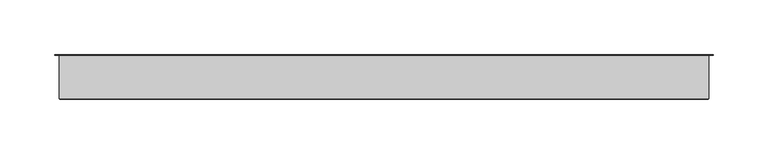
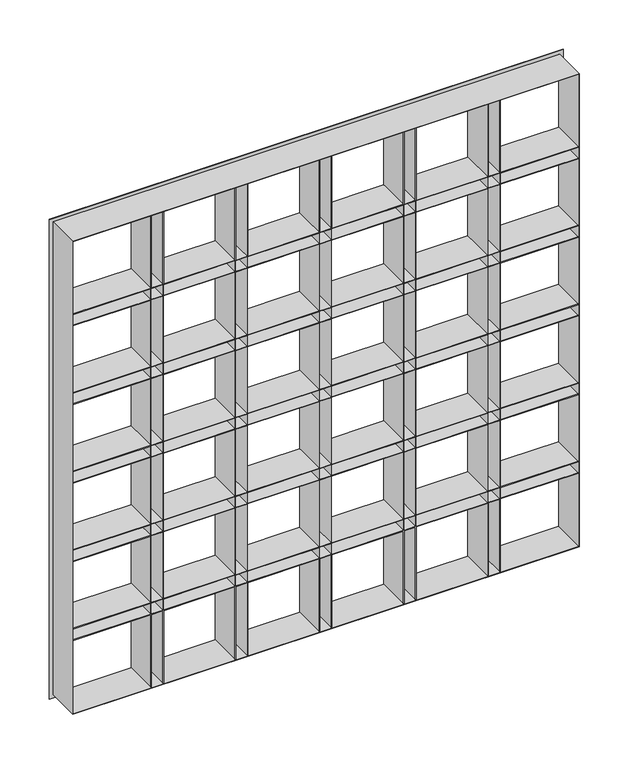
"""IFC4 building model written with IfcOpenShell, lengths in millimetres: plate geometry."""

from ifc_helpers import new_model, si_unit, origin, place, context, project, spatial, faceted_brep, source, transform, mapped, element, save


def plate_0c74617c(model_context):
    return source(origin(), model_context, "Body", "Brep", [
        faceted_brep([(-302.2500002, 0.0, -6.0), (-302.2500002, 0.0, 591.0), (302.2500002, 0.0, 591.0), (302.2500002, 0.0, -6.0), (-297.2500002, 0.0, 586.0), (-297.2500002, 0.0, 495.6666667), (-205.6666668, 0.0, 495.6666667), (-205.6666668, 0.0, 586.0), (297.2500002, 0.0, 495.6666667), (297.2500002, 0.0, 586.0), (205.6666668, 0.0, 586.0), (205.6666668, 0.0, 495.6666667), (190.6666668, 0.0, 495.6666667), (190.6666668, 0.0, 586.0), (106.5833334, 0.0, 586.0), (106.5833334, 0.0, 495.6666667), (297.2500002, 0.0, 480.6666667), (205.6666668, 0.0, 480.6666667), (205.6666668, 0.0, 397.8333333), (297.2500002, 0.0, 397.8333333), (205.6666668, 0.0, -1.0), (297.2500002, 0.0, -1.0), (297.2500002, 0.0, 89.3333333), (205.6666668, 0.0, 89.3333333), (297.2500002, 0.0, 382.8333333), (205.6666668, 0.0, 382.8333333), (205.6666668, 0.0, 300.0), (297.2500002, 0.0, 300.0), (-297.2500002, 0.0, 480.6666667), (-297.2500002, 0.0, 397.8333333), (-205.6666668, 0.0, 397.8333333), (-205.6666668, 0.0, 480.6666667), (190.6666668, 0.0, 397.8333333), (190.6666668, 0.0, 480.6666667), (106.5833334, 0.0, 480.6666667), (106.5833334, 0.0, 397.8333333), (297.2500002, 0.0, 285.0), (205.6666668, 0.0, 285.0), (205.6666668, 0.0, 202.1666667), (297.2500002, 0.0, 202.1666667), (-297.2500002, 0.0, 382.8333333), (-297.2500002, 0.0, 300.0), (-205.6666668, 0.0, 300.0), (-205.6666668, 0.0, 382.8333333), (190.6666668, 0.0, 300.0), (190.6666668, 0.0, 382.8333333), (106.5833334, 0.0, 382.8333333), (106.5833334, 0.0, 300.0), (297.2500002, 0.0, 187.1666667), (205.6666668, 0.0, 187.1666667), (205.6666668, 0.0, 104.3333333), (297.2500002, 0.0, 104.3333333), (-297.2500002, 0.0, 285.0), (-297.2500002, 0.0, 202.1666667), (-205.6666668, 0.0, 202.1666667), (-205.6666668, 0.0, 285.0), (190.6666668, 0.0, 202.1666667), (190.6666668, 0.0, 285.0), (106.5833334, 0.0, 285.0), (106.5833334, 0.0, 202.1666667), (-297.2500002, 0.0, 187.1666667), (-297.2500002, 0.0, 104.3333333), (-205.6666668, 0.0, 104.3333333), (-205.6666668, 0.0, 187.1666667), (-297.2500002, 0.0, 89.3333333), (-297.2500002, 0.0, -1.0), (-205.6666668, 0.0, -1.0), (-205.6666668, 0.0, 89.3333333), (190.6666668, 0.0, 104.3333333), (190.6666668, 0.0, 187.1666667), (106.5833334, 0.0, 187.1666667), (106.5833334, 0.0, 104.3333333), (190.6666668, 0.0, -1.0), (190.6666668, 0.0, 89.3333333), (106.5833334, 0.0, 89.3333333), (106.5833334, 0.0, -1.0), (91.5833334, 0.0, 495.6666667), (91.5833334, 0.0, 586.0), (7.5, 0.0, 586.0), (7.5, 0.0, 495.6666667), (91.5833334, 0.0, 397.8333333), (91.5833334, 0.0, 480.6666667), (7.5, 0.0, 480.6666667), (7.5, 0.0, 397.8333333), (91.5833334, 0.0, 300.0), (91.5833334, 0.0, 382.8333333), (7.5, 0.0, 382.8333333), (7.5, 0.0, 300.0), (91.5833334, 0.0, 202.1666667), (91.5833334, 0.0, 285.0), (7.5, 0.0, 285.0), (7.5, 0.0, 202.1666667), (91.5833334, 0.0, 104.3333333), (91.5833334, 0.0, 187.1666667), (7.5, 0.0, 187.1666667), (7.5, 0.0, 104.3333333), (91.5833334, 0.0, -1.0), (91.5833334, 0.0, 89.3333333), (7.5, 0.0, 89.3333333), (7.5, 0.0, -1.0), (-7.5, 0.0, 495.6666667), (-7.5, 0.0, 586.0), (-91.5833334, 0.0, 586.0), (-91.5833334, 0.0, 495.6666667), (-7.5, 0.0, 397.8333333), (-7.5, 0.0, 480.6666667), (-91.5833334, 0.0, 480.6666667), (-91.5833334, 0.0, 397.8333333), (-7.5, 0.0, 300.0), (-7.5, 0.0, 382.8333333), (-91.5833334, 0.0, 382.8333333), (-91.5833334, 0.0, 300.0), (-7.5, 0.0, 202.1666667), (-7.5, 0.0, 285.0), (-91.5833334, 0.0, 285.0), (-91.5833334, 0.0, 202.1666667), (-7.5, 0.0, 104.3333333), (-7.5, 0.0, 187.1666667), (-91.5833334, 0.0, 187.1666667), (-91.5833334, 0.0, 104.3333333), (-7.5, 0.0, -1.0), (-7.5, 0.0, 89.3333333), (-91.5833334, 0.0, 89.3333333), (-91.5833334, 0.0, -1.0), (-190.6666668, 0.0, 104.3333333), (-106.5833334, 0.0, 104.3333333), (-106.5833334, 0.0, 187.1666667), (-190.6666668, 0.0, 187.1666667), (-190.6666668, 0.0, 202.1666667), (-106.5833334, 0.0, 202.1666667), (-106.5833334, 0.0, 285.0), (-190.6666668, 0.0, 285.0), (-190.6666668, 0.0, 300.0), (-106.5833334, 0.0, 300.0), (-106.5833334, 0.0, 382.8333333), (-190.6666668, 0.0, 382.8333333), (-190.6666668, 0.0, 397.8333333), (-106.5833334, 0.0, 397.8333333), (-106.5833334, 0.0, 480.6666667), (-190.6666668, 0.0, 480.6666667), (-190.6666668, 0.0, 495.6666667), (-106.5833334, 0.0, 495.6666667), (-106.5833334, 0.0, 586.0), (-190.6666668, 0.0, 586.0), (-190.6666668, 0.0, -1.0), (-106.5833334, 0.0, -1.0), (-106.5833334, 0.0, 89.3333333), (-190.6666668, 0.0, 89.3333333), (-297.2500002, -40.0, 495.6666667), (-205.6666668, -40.0, 495.6666667), (297.2500002, -40.0, 495.6666667), (205.6666668, -40.0, 495.6666667), (191.4666668, -40.0, 495.6666667), (204.8666668, -40.0, 495.6666667), (204.8666668, -0.8, 495.6666667), (191.4666668, -0.8, 495.6666667), (190.6666668, -40.0, 495.6666667), (106.5833334, -40.0, 495.6666667), (92.3833334, -40.0, 495.6666667), (105.7833334, -40.0, 495.6666667), (105.7833334, -0.8, 495.6666667), (92.3833334, -0.8, 495.6666667), (91.5833334, -40.0, 495.6666667), (7.5, -40.0, 495.6666667), (-6.7, -40.0, 495.6666667), (6.7, -40.0, 495.6666667), (6.7, -0.8, 495.6666667), (-6.7, -0.8, 495.6666667), (-7.5, -40.0, 495.6666667), (-91.5833334, -40.0, 495.6666667), (-204.8666668, -40.0, 495.6666667), (-191.4666668, -40.0, 495.6666667), (-191.4666668, -0.8, 495.6666667), (-204.8666668, -0.8, 495.6666667), (-190.6666668, -40.0, 495.6666667), (-106.5833334, -40.0, 495.6666667), (-105.7833334, -40.0, 495.6666667), (-92.3833334, -40.0, 495.6666667), (-92.3833334, -0.8, 495.6666667), (-105.7833334, -0.8, 495.6666667), (-297.2500002, -40.0, 494.8666667), (-205.6666668, -40.0, 494.8666667), (-205.6666668, -40.0, 481.4666667), (-297.2500002, -40.0, 481.4666667), (-297.2500002, -40.0, 480.6666667), (-205.6666668, -40.0, 480.6666667), (-205.6666668, -40.0, 397.8333333), (-297.2500002, -40.0, 397.8333333), (-297.2500002, -40.0, 397.0333333), (-205.6666668, -40.0, 397.0333333), (-205.6666668, -40.0, 383.6333333), (-297.2500002, -40.0, 383.6333333), (-297.2500002, -40.0, 382.8333333), (-205.6666668, -40.0, 382.8333333), (-205.6666668, -40.0, 300.0), (-297.2500002, -40.0, 300.0), (-297.2500002, -40.0, 299.2), (-205.6666668, -40.0, 299.2), (-205.6666668, -40.0, 285.8), (-297.2500002, -40.0, 285.8), (-297.2500002, -40.0, 285.0), (-205.6666668, -40.0, 285.0), (-205.6666668, -40.0, 202.1666667), (-297.2500002, -40.0, 202.1666667), (-297.2500002, -40.0, 201.3666667), (-205.6666668, -40.0, 201.3666667), (-205.6666668, -40.0, 187.9666667), (-297.2500002, -40.0, 187.9666667), (-297.2500002, -40.0, 187.1666667), (-205.6666668, -40.0, 187.1666667), (-205.6666668, -40.0, 104.3333333), (-297.2500002, -40.0, 104.3333333), (-297.2500002, -40.0, 103.5333333), (-205.6666668, -40.0, 103.5333333), (-205.6666668, -40.0, 90.1333333), (-297.2500002, -40.0, 90.1333333), (-297.2500002, -40.0, 89.3333333), (-205.6666668, -40.0, 89.3333333), (-205.6666668, -40.0, -1.0), (-204.8666668, -40.0, -1.0), (-204.8666668, -40.0, 89.3333333), (-191.4666668, -40.0, 89.3333333), (-191.4666668, -40.0, -1.0), (-190.6666668, -40.0, -1.0), (-190.6666668, -40.0, 89.3333333), (-106.5833334, -40.0, 89.3333333), (-106.5833334, -40.0, -1.0), (-105.7833334, -40.0, -1.0), (-105.7833334, -40.0, 89.3333333), (-92.3833334, -40.0, 89.3333333), (-92.3833334, -40.0, -1.0), (-91.5833334, -40.0, -1.0), (-91.5833334, -40.0, 89.3333333), (-7.5, -40.0, 89.3333333), (-7.5, -40.0, -1.0), (-6.7, -40.0, -1.0), (-6.7, -40.0, 89.3333333), (6.7, -40.0, 89.3333333), (6.7, -40.0, -1.0), (7.5, -40.0, -1.0), (7.5, -40.0, 89.3333333), (91.5833334, -40.0, 89.3333333), (91.5833334, -40.0, -1.0), (92.3833334, -40.0, -1.0), (92.3833334, -40.0, 89.3333333), (105.7833334, -40.0, 89.3333333), (105.7833334, -40.0, -1.0), (106.5833334, -40.0, -1.0), (106.5833334, -40.0, 89.3333333), (190.6666668, -40.0, 89.3333333), (190.6666668, -40.0, -1.0), (191.4666668, -40.0, -1.0), (191.4666668, -40.0, 89.3333333), (204.8666668, -40.0, 89.3333333), (204.8666668, -40.0, -1.0), (205.6666668, -40.0, -1.0), (205.6666668, -40.0, 89.3333333), (297.2500002, -40.0, 89.3333333), (297.2500002, -40.0, 90.1333333), (205.6666668, -40.0, 90.1333333), (205.6666668, -40.0, 103.5333333), (297.2500002, -40.0, 103.5333333), (297.2500002, -40.0, 104.3333333), (205.6666668, -40.0, 104.3333333), (205.6666668, -40.0, 187.1666667), (297.2500002, -40.0, 187.1666667), (297.2500002, -40.0, 187.9666667), (205.6666668, -40.0, 187.9666667), (205.6666668, -40.0, 201.3666667), (297.2500002, -40.0, 201.3666667), (297.2500002, -40.0, 202.1666667), (205.6666668, -40.0, 202.1666667), (205.6666668, -40.0, 285.0), (297.2500002, -40.0, 285.0), (297.2500002, -40.0, 285.8), (205.6666668, -40.0, 285.8), (205.6666668, -40.0, 299.2), (297.2500002, -40.0, 299.2), (297.2500002, -40.0, 300.0), (205.6666668, -40.0, 300.0), (205.6666668, -40.0, 382.8333333), (297.2500002, -40.0, 382.8333333), (297.2500002, -40.0, 383.6333333), (205.6666668, -40.0, 383.6333333), (205.6666668, -40.0, 397.0333333), (297.2500002, -40.0, 397.0333333), (297.2500002, -40.0, 397.8333333), (205.6666668, -40.0, 397.8333333), (205.6666668, -40.0, 480.6666667), (297.2500002, -40.0, 480.6666667), (297.2500002, -40.0, 481.4666667), (205.6666668, -40.0, 481.4666667), (205.6666668, -40.0, 494.8666667), (297.2500002, -40.0, 494.8666667), (205.6666668, -40.0, 586.0), (204.8666668, -40.0, 586.0), (191.4666668, -40.0, 586.0), (190.6666668, -40.0, 586.0), (106.5833334, -40.0, 586.0), (105.7833334, -40.0, 586.0), (92.3833334, -40.0, 586.0), (91.5833334, -40.0, 586.0), (7.5, -40.0, 586.0), (6.7, -40.0, 586.0), (-6.7, -40.0, 586.0), (-7.5, -40.0, 586.0), (-91.5833334, -40.0, 586.0), (-92.3833334, -40.0, 586.0), (-105.7833334, -40.0, 586.0), (-106.5833334, -40.0, 586.0), (-190.6666668, -40.0, 586.0), (-191.4666668, -40.0, 586.0), (-204.8666668, -40.0, 586.0), (-205.6666668, -40.0, 586.0), (191.4666668, -40.0, 494.8666667), (204.8666668, -40.0, 494.8666667), (204.8666668, -40.0, 481.4666667), (191.4666668, -40.0, 481.4666667), (190.6666668, -40.0, 494.8666667), (190.6666668, -40.0, 481.4666667), (106.5833334, -40.0, 481.4666667), (106.5833334, -40.0, 494.8666667), (191.4666668, -40.0, 480.6666667), (204.8666668, -40.0, 480.6666667), (204.8666668, -40.0, 397.8333333), (191.4666668, -40.0, 397.8333333), (204.8666668, -40.0, 397.0333333), (204.8666668, -40.0, 383.6333333), (191.4666668, -40.0, 383.6333333), (191.4666668, -40.0, 397.0333333), (190.6666668, -40.0, 480.6666667), (190.6666668, -40.0, 397.8333333), (106.5833334, -40.0, 397.8333333), (106.5833334, -40.0, 480.6666667), (190.6666668, -40.0, 397.0333333), (190.6666668, -40.0, 383.6333333), (106.5833334, -40.0, 383.6333333), (106.5833334, -40.0, 397.0333333), (191.4666668, -40.0, 382.8333333), (204.8666668, -40.0, 382.8333333), (204.8666668, -40.0, 300.0), (191.4666668, -40.0, 300.0), (190.6666668, -40.0, 382.8333333), (190.6666668, -40.0, 300.0), (106.5833334, -40.0, 300.0), (106.5833334, -40.0, 382.8333333), (190.6666668, -40.0, 299.2), (190.6666668, -40.0, 285.8), (106.5833334, -40.0, 285.8), (106.5833334, -40.0, 299.2), (204.8666668, -40.0, 299.2), (204.8666668, -40.0, 285.8), (191.4666668, -40.0, 285.8), (191.4666668, -40.0, 299.2), (191.4666668, -40.0, 285.0), (204.8666668, -40.0, 285.0), (204.8666668, -40.0, 202.1666667), (191.4666668, -40.0, 202.1666667), (190.6666668, -40.0, 285.0), (190.6666668, -40.0, 202.1666667), (106.5833334, -40.0, 202.1666667), (106.5833334, -40.0, 285.0), (190.6666668, -40.0, 201.3666667), (190.6666668, -40.0, 187.9666667), (106.5833334, -40.0, 187.9666667), (106.5833334, -40.0, 201.3666667), (204.8666668, -40.0, 201.3666667), (204.8666668, -40.0, 187.9666667), (191.4666668, -40.0, 187.9666667), (191.4666668, -40.0, 201.3666667), (191.4666668, -40.0, 187.1666667), (204.8666668, -40.0, 187.1666667), (204.8666668, -40.0, 104.3333333), (191.4666668, -40.0, 104.3333333), (190.6666668, -40.0, 187.1666667), (190.6666668, -40.0, 104.3333333), (106.5833334, -40.0, 104.3333333), (106.5833334, -40.0, 187.1666667), (190.6666668, -40.0, 103.5333333), (190.6666668, -40.0, 90.1333333), (106.5833334, -40.0, 90.1333333), (106.5833334, -40.0, 103.5333333), (204.8666668, -40.0, 103.5333333), (204.8666668, -40.0, 90.1333333), (191.4666668, -40.0, 90.1333333), (191.4666668, -40.0, 103.5333333), (92.3833334, -40.0, 494.8666667), (105.7833334, -40.0, 494.8666667), (105.7833334, -40.0, 481.4666667), (92.3833334, -40.0, 481.4666667), (92.3833334, -40.0, 480.6666667), (105.7833334, -40.0, 480.6666667), (105.7833334, -40.0, 397.8333333), (92.3833334, -40.0, 397.8333333), (92.3833334, -40.0, 397.0333333), (105.7833334, -40.0, 397.0333333), (105.7833334, -40.0, 383.6333333), (92.3833334, -40.0, 383.6333333), (92.3833334, -40.0, 382.8333333), (105.7833334, -40.0, 382.8333333), (105.7833334, -40.0, 300.0), (92.3833334, -40.0, 300.0), (92.3833334, -40.0, 299.2), (105.7833334, -40.0, 299.2), (105.7833334, -40.0, 285.8), (92.3833334, -40.0, 285.8), (92.3833334, -40.0, 285.0), (105.7833334, -40.0, 285.0), (105.7833334, -40.0, 202.1666667), (92.3833334, -40.0, 202.1666667), (92.3833334, -40.0, 201.3666667), (105.7833334, -40.0, 201.3666667), (105.7833334, -40.0, 187.9666667), (92.3833334, -40.0, 187.9666667), (92.3833334, -40.0, 187.1666667), (105.7833334, -40.0, 187.1666667), (105.7833334, -40.0, 104.3333333), (92.3833334, -40.0, 104.3333333), (92.3833334, -40.0, 103.5333333), (105.7833334, -40.0, 103.5333333), (105.7833334, -40.0, 90.1333333), (92.3833334, -40.0, 90.1333333), (91.5833334, -40.0, 494.8666667), (91.5833334, -40.0, 481.4666667), (7.5, -40.0, 481.4666667), (7.5, -40.0, 494.8666667), (91.5833334, -40.0, 480.6666667), (91.5833334, -40.0, 397.8333333), (7.5, -40.0, 397.8333333), (7.5, -40.0, 480.6666667), (91.5833334, -40.0, 397.0333333), (91.5833334, -40.0, 383.6333333), (7.5, -40.0, 383.6333333), (7.5, -40.0, 397.0333333), (91.5833334, -40.0, 382.8333333), (91.5833334, -40.0, 300.0), (7.5, -40.0, 300.0), (7.5, -40.0, 382.8333333), (91.5833334, -40.0, 299.2), (91.5833334, -40.0, 285.8), (7.5, -40.0, 285.8), (7.5, -40.0, 299.2), (91.5833334, -40.0, 285.0), (91.5833334, -40.0, 202.1666667), (7.5, -40.0, 202.1666667), (7.5, -40.0, 285.0), (91.5833334, -40.0, 201.3666667), (91.5833334, -40.0, 187.9666667), (7.5, -40.0, 187.9666667), (7.5, -40.0, 201.3666667), (91.5833334, -40.0, 187.1666667), (91.5833334, -40.0, 104.3333333), (7.5, -40.0, 104.3333333), (7.5, -40.0, 187.1666667), (91.5833334, -40.0, 103.5333333), (91.5833334, -40.0, 90.1333333), (7.5, -40.0, 90.1333333), (7.5, -40.0, 103.5333333), (-6.7, -40.0, 494.8666667), (6.7, -40.0, 494.8666667), (6.7, -40.0, 481.4666667), (-6.7, -40.0, 481.4666667), (-6.7, -40.0, 480.6666667), (6.7, -40.0, 480.6666667), (6.7, -40.0, 397.8333333), (-6.7, -40.0, 397.8333333), (-6.7, -40.0, 397.0333333), (6.7, -40.0, 397.0333333), (6.7, -40.0, 383.6333333), (-6.7, -40.0, 383.6333333), (-6.7, -40.0, 382.8333333), (6.7, -40.0, 382.8333333), (6.7, -40.0, 300.0), (-6.7, -40.0, 300.0), (-6.7, -40.0, 299.2), (6.7, -40.0, 299.2), (6.7, -40.0, 285.8), (-6.7, -40.0, 285.8), (-6.7, -40.0, 285.0), (6.7, -40.0, 285.0), (6.7, -40.0, 202.1666667), (-6.7, -40.0, 202.1666667), (-6.7, -40.0, 201.3666667), (6.7, -40.0, 201.3666667), (6.7, -40.0, 187.9666667), (-6.7, -40.0, 187.9666667), (-6.7, -40.0, 187.1666667), (6.7, -40.0, 187.1666667), (6.7, -40.0, 104.3333333), (-6.7, -40.0, 104.3333333), (-6.7, -40.0, 103.5333333), (6.7, -40.0, 103.5333333), (6.7, -40.0, 90.1333333), (-6.7, -40.0, 90.1333333), (-7.5, -40.0, 494.8666667), (-7.5, -40.0, 481.4666667), (-91.5833334, -40.0, 481.4666667), (-91.5833334, -40.0, 494.8666667), (-7.5, -40.0, 480.6666667), (-7.5, -40.0, 397.8333333), (-91.5833334, -40.0, 397.8333333), (-91.5833334, -40.0, 480.6666667), (-7.5, -40.0, 397.0333333), (-7.5, -40.0, 383.6333333), (-91.5833334, -40.0, 383.6333333), (-91.5833334, -40.0, 397.0333333), (-7.5, -40.0, 382.8333333), (-7.5, -40.0, 300.0), (-91.5833334, -40.0, 300.0), (-91.5833334, -40.0, 382.8333333), (-7.5, -40.0, 299.2), (-7.5, -40.0, 285.8), (-91.5833334, -40.0, 285.8), (-91.5833334, -40.0, 299.2), (-7.5, -40.0, 285.0), (-7.5, -40.0, 202.1666667), (-91.5833334, -40.0, 202.1666667), (-91.5833334, -40.0, 285.0), (-7.5, -40.0, 201.3666667), (-7.5, -40.0, 187.9666667), (-91.5833334, -40.0, 187.9666667), (-91.5833334, -40.0, 201.3666667), (-7.5, -40.0, 187.1666667), (-7.5, -40.0, 104.3333333), (-91.5833334, -40.0, 104.3333333), (-91.5833334, -40.0, 187.1666667), (-7.5, -40.0, 103.5333333), (-7.5, -40.0, 90.1333333), (-91.5833334, -40.0, 90.1333333), (-91.5833334, -40.0, 103.5333333), (-204.8666668, -40.0, 494.8666667), (-191.4666668, -40.0, 494.8666667), (-191.4666668, -40.0, 481.4666667), (-204.8666668, -40.0, 481.4666667), (-204.8666668, -40.0, 480.6666667), (-191.4666668, -40.0, 480.6666667), (-191.4666668, -40.0, 397.8333333), (-204.8666668, -40.0, 397.8333333), (-204.8666668, -40.0, 397.0333333), (-191.4666668, -40.0, 397.0333333), (-191.4666668, -40.0, 383.6333333), (-204.8666668, -40.0, 383.6333333), (-204.8666668, -40.0, 382.8333333), (-191.4666668, -40.0, 382.8333333), (-191.4666668, -40.0, 300.0), (-204.8666668, -40.0, 300.0), (-204.8666668, -40.0, 299.2), (-191.4666668, -40.0, 299.2), (-191.4666668, -40.0, 285.8), (-204.8666668, -40.0, 285.8), (-204.8666668, -40.0, 285.0), (-191.4666668, -40.0, 285.0), (-191.4666668, -40.0, 202.1666667), (-204.8666668, -40.0, 202.1666667), (-204.8666668, -40.0, 201.3666667), (-191.4666668, -40.0, 201.3666667), (-191.4666668, -40.0, 187.9666667), (-204.8666668, -40.0, 187.9666667), (-204.8666668, -40.0, 187.1666667), (-191.4666668, -40.0, 187.1666667), (-191.4666668, -40.0, 104.3333333), (-204.8666668, -40.0, 104.3333333), (-204.8666668, -40.0, 103.5333333), (-191.4666668, -40.0, 103.5333333), (-191.4666668, -40.0, 90.1333333), (-204.8666668, -40.0, 90.1333333), (-190.6666668, -40.0, 494.8666667), (-106.5833334, -40.0, 494.8666667), (-106.5833334, -40.0, 481.4666667), (-190.6666668, -40.0, 481.4666667), (-105.7833334, -40.0, 494.8666667), (-92.3833334, -40.0, 494.8666667), (-92.3833334, -40.0, 481.4666667), (-105.7833334, -40.0, 481.4666667), (-190.6666668, -40.0, 480.6666667), (-106.5833334, -40.0, 480.6666667), (-106.5833334, -40.0, 397.8333333), (-190.6666668, -40.0, 397.8333333), (-105.7833334, -40.0, 480.6666667), (-92.3833334, -40.0, 480.6666667), (-92.3833334, -40.0, 397.8333333), (-105.7833334, -40.0, 397.8333333), (-190.6666668, -40.0, 397.0333333), (-106.5833334, -40.0, 397.0333333), (-106.5833334, -40.0, 383.6333333), (-190.6666668, -40.0, 383.6333333), (-105.7833334, -40.0, 397.0333333), (-92.3833334, -40.0, 397.0333333), (-92.3833334, -40.0, 383.6333333), (-105.7833334, -40.0, 383.6333333), (-190.6666668, -40.0, 382.8333333), (-106.5833334, -40.0, 382.8333333), (-106.5833334, -40.0, 300.0), (-190.6666668, -40.0, 300.0), (-105.7833334, -40.0, 382.8333333), (-92.3833334, -40.0, 382.8333333), (-92.3833334, -40.0, 300.0), (-105.7833334, -40.0, 300.0), (-190.6666668, -40.0, 299.2), (-106.5833334, -40.0, 299.2), (-106.5833334, -40.0, 285.8), (-190.6666668, -40.0, 285.8), (-105.7833334, -40.0, 299.2), (-92.3833334, -40.0, 299.2), (-92.3833334, -40.0, 285.8), (-105.7833334, -40.0, 285.8), (-190.6666668, -40.0, 285.0), (-106.5833334, -40.0, 285.0), (-106.5833334, -40.0, 202.1666667), (-190.6666668, -40.0, 202.1666667), (-105.7833334, -40.0, 285.0), (-92.3833334, -40.0, 285.0), (-92.3833334, -40.0, 202.1666667), (-105.7833334, -40.0, 202.1666667), (-190.6666668, -40.0, 201.3666667), (-106.5833334, -40.0, 201.3666667), (-106.5833334, -40.0, 187.9666667), (-190.6666668, -40.0, 187.9666667), (-105.7833334, -40.0, 201.3666667), (-92.3833334, -40.0, 201.3666667), (-92.3833334, -40.0, 187.9666667), (-105.7833334, -40.0, 187.9666667), (-190.6666668, -40.0, 187.1666667), (-106.5833334, -40.0, 187.1666667), (-106.5833334, -40.0, 104.3333333), (-190.6666668, -40.0, 104.3333333), (-105.7833334, -40.0, 187.1666667), (-92.3833334, -40.0, 187.1666667), (-92.3833334, -40.0, 104.3333333), (-105.7833334, -40.0, 104.3333333), (-190.6666668, -40.0, 103.5333333), (-106.5833334, -40.0, 103.5333333), (-106.5833334, -40.0, 90.1333333), (-190.6666668, -40.0, 90.1333333), (-105.7833334, -40.0, 103.5333333), (-92.3833334, -40.0, 103.5333333), (-92.3833334, -40.0, 90.1333333), (-105.7833334, -40.0, 90.1333333), (191.4666668, -0.8, 494.8666667), (204.8666668, -0.8, 494.8666667), (92.3833334, -0.8, 494.8666667), (105.7833334, -0.8, 494.8666667), (-6.7, -0.8, 494.8666667), (6.7, -0.8, 494.8666667), (-204.8666668, -0.8, 494.8666667), (-191.4666668, -0.8, 494.8666667), (-105.7833334, -0.8, 494.8666667), (-92.3833334, -0.8, 494.8666667), (-297.2500002, -0.8, 494.8666667), (-205.6666668, -0.8, 494.8666667), (297.2500002, -0.8, 494.8666667), (205.6666668, -0.8, 494.8666667), (190.6666668, -0.8, 494.8666667), (106.5833334, -0.8, 494.8666667), (91.5833334, -0.8, 494.8666667), (7.5, -0.8, 494.8666667), (-7.5, -0.8, 494.8666667), (-91.5833334, -0.8, 494.8666667), (-190.6666668, -0.8, 494.8666667), (-106.5833334, -0.8, 494.8666667), (191.4666668, -0.8, 481.4666667), (204.8666668, -0.8, 481.4666667), (92.3833334, -0.8, 481.4666667), (105.7833334, -0.8, 481.4666667), (-6.7, -0.8, 481.4666667), (6.7, -0.8, 481.4666667), (-204.8666668, -0.8, 481.4666667), (-191.4666668, -0.8, 481.4666667), (-105.7833334, -0.8, 481.4666667), (-92.3833334, -0.8, 481.4666667), (-297.2500002, -0.8, 481.4666667), (-205.6666668, -0.8, 481.4666667), (297.2500002, -0.8, 481.4666667), (205.6666668, -0.8, 481.4666667), (190.6666668, -0.8, 481.4666667), (106.5833334, -0.8, 481.4666667), (91.5833334, -0.8, 481.4666667), (7.5, -0.8, 481.4666667), (-7.5, -0.8, 481.4666667), (-91.5833334, -0.8, 481.4666667), (-190.6666668, -0.8, 481.4666667), (-106.5833334, -0.8, 481.4666667), (191.4666668, -0.8, 480.6666667), (204.8666668, -0.8, 480.6666667), (92.3833334, -0.8, 480.6666667), (105.7833334, -0.8, 480.6666667), (-6.7, -0.8, 480.6666667), (6.7, -0.8, 480.6666667), (-204.8666668, -0.8, 480.6666667), (-191.4666668, -0.8, 480.6666667), (-105.7833334, -0.8, 480.6666667), (-92.3833334, -0.8, 480.6666667), (-297.2500002, -40.8, -1.0), (-297.2500002, -0.8, 90.1333333), (-297.2500002, -0.8, 103.5333333), (-297.2500002, -0.8, 187.9666667), (-297.2500002, -0.8, 201.3666667), (-297.2500002, -0.8, 285.8), (-297.2500002, -0.8, 299.2), (-297.2500002, -0.8, 383.6333333), (-297.2500002, -0.8, 397.0333333), (-297.2500002, -40.8, 586.0), (-298.0500002, -0.8, -1.8), (-298.0500002, -40.8, -1.8), (-298.0500002, -40.8, 586.8), (-298.0500002, -0.8, 586.8), (-302.2500002, -0.8, -6.0), (-302.2500002, -0.8, 591.0), (-204.8666668, -0.8, 586.0), (-191.4666668, -0.8, 586.0), (-105.7833334, -0.8, 586.0), (-92.3833334, -0.8, 586.0), (-6.7, -0.8, 586.0), (6.7, -0.8, 586.0), (92.3833334, -0.8, 586.0), (105.7833334, -0.8, 586.0), (191.4666668, -0.8, 586.0), (204.8666668, -0.8, 586.0), (297.2500002, -40.8, 586.0), (298.0500002, -40.8, 586.8), (298.0500002, -0.8, 586.8), (302.2500002, -0.8, 591.0), (297.2500002, -0.8, 397.0333333), (297.2500002, -0.8, 383.6333333), (297.2500002, -0.8, 299.2), (297.2500002, -0.8, 285.8), (297.2500002, -0.8, 201.3666667), (297.2500002, -0.8, 187.9666667), (297.2500002, -0.8, 103.5333333), (297.2500002, -0.8, 90.1333333), (297.2500002, -40.8, -1.0), (298.0500002, -40.8, -1.8), (298.0500002, -0.8, -1.8), (302.2500002, -0.8, -6.0), (204.8666668, -0.8, -1.0), (191.4666668, -0.8, -1.0), (105.7833334, -0.8, -1.0), (92.3833334, -0.8, -1.0), (6.7, -0.8, -1.0), (-6.7, -0.8, -1.0), (-92.3833334, -0.8, -1.0), (-105.7833334, -0.8, -1.0), (-191.4666668, -0.8, -1.0), (-204.8666668, -0.8, -1.0), (190.6666668, -0.8, 397.0333333), (190.6666668, -0.8, 383.6333333), (190.6666668, -0.8, 299.2), (190.6666668, -0.8, 285.8), (190.6666668, -0.8, 201.3666667), (190.6666668, -0.8, 187.9666667), (190.6666668, -0.8, 103.5333333), (190.6666668, -0.8, 90.1333333), (191.4666668, -0.8, 383.6333333), (191.4666668, -0.8, 397.0333333), (191.4666668, -0.8, 285.8), (191.4666668, -0.8, 299.2), (191.4666668, -0.8, 187.9666667), (191.4666668, -0.8, 201.3666667), (191.4666668, -0.8, 90.1333333), (191.4666668, -0.8, 103.5333333), (191.4666668, -0.8, 397.8333333), (191.4666668, -0.8, 89.3333333), (191.4666668, -0.8, 382.8333333), (191.4666668, -0.8, 300.0), (191.4666668, -0.8, 285.0), (191.4666668, -0.8, 202.1666667), (191.4666668, -0.8, 187.1666667), (191.4666668, -0.8, 104.3333333), (204.8666668, -0.8, 397.8333333), (204.8666668, -0.8, 89.3333333), (204.8666668, -0.8, 383.6333333), (204.8666668, -0.8, 397.0333333), (204.8666668, -0.8, 285.8), (204.8666668, -0.8, 299.2), (204.8666668, -0.8, 187.9666667), (204.8666668, -0.8, 201.3666667), (204.8666668, -0.8, 90.1333333), (204.8666668, -0.8, 103.5333333), (204.8666668, -0.8, 382.8333333), (204.8666668, -0.8, 300.0), (204.8666668, -0.8, 285.0), (204.8666668, -0.8, 202.1666667), (204.8666668, -0.8, 187.1666667), (204.8666668, -0.8, 104.3333333), (205.6666668, -0.8, 90.1333333), (205.6666668, -0.8, 103.5333333), (205.6666668, -0.8, 187.9666667), (205.6666668, -0.8, 201.3666667), (205.6666668, -0.8, 285.8), (205.6666668, -0.8, 299.2), (205.6666668, -0.8, 383.6333333), (205.6666668, -0.8, 397.0333333), (105.7833334, -0.8, 397.8333333), (92.3833334, -0.8, 397.8333333), (6.7, -0.8, 397.8333333), (-6.7, -0.8, 397.8333333), (-191.4666668, -0.8, 397.8333333), (-204.8666668, -0.8, 397.8333333), (-92.3833334, -0.8, 397.8333333), (-105.7833334, -0.8, 397.8333333), (92.3833334, -0.8, 397.0333333), (105.7833334, -0.8, 397.0333333), (-6.7, -0.8, 397.0333333), (6.7, -0.8, 397.0333333), (-204.8666668, -0.8, 397.0333333), (-191.4666668, -0.8, 397.0333333), (-105.7833334, -0.8, 397.0333333), (-92.3833334, -0.8, 397.0333333), (-205.6666668, -0.8, 397.0333333), (106.5833334, -0.8, 397.0333333), (91.5833334, -0.8, 397.0333333), (7.5, -0.8, 397.0333333), (-7.5, -0.8, 397.0333333), (-91.5833334, -0.8, 397.0333333), (-190.6666668, -0.8, 397.0333333), (-106.5833334, -0.8, 397.0333333), (-205.6666668, -0.8, 383.6333333), (106.5833334, -0.8, 383.6333333), (92.3833334, -0.8, 383.6333333), (105.7833334, -0.8, 383.6333333), (-6.7, -0.8, 383.6333333), (6.7, -0.8, 383.6333333), (-204.8666668, -0.8, 383.6333333), (-191.4666668, -0.8, 383.6333333), (-105.7833334, -0.8, 383.6333333), (-92.3833334, -0.8, 383.6333333), (91.5833334, -0.8, 383.6333333), (7.5, -0.8, 383.6333333), (-7.5, -0.8, 383.6333333), (-91.5833334, -0.8, 383.6333333), (-190.6666668, -0.8, 383.6333333), (-106.5833334, -0.8, 383.6333333), (92.3833334, -0.8, 382.8333333), (105.7833334, -0.8, 382.8333333), (-6.7, -0.8, 382.8333333), (6.7, -0.8, 382.8333333), (-204.8666668, -0.8, 382.8333333), (-191.4666668, -0.8, 382.8333333), (-105.7833334, -0.8, 382.8333333), (-92.3833334, -0.8, 382.8333333), (105.7833334, -0.8, 300.0), (92.3833334, -0.8, 300.0), (6.7, -0.8, 300.0), (-6.7, -0.8, 300.0), (-191.4666668, -0.8, 300.0), (-204.8666668, -0.8, 300.0), (-92.3833334, -0.8, 300.0), (-105.7833334, -0.8, 300.0), (92.3833334, -0.8, 299.2), (105.7833334, -0.8, 299.2), (-6.7, -0.8, 299.2), (6.7, -0.8, 299.2), (-204.8666668, -0.8, 299.2), (-191.4666668, -0.8, 299.2), (-105.7833334, -0.8, 299.2), (-92.3833334, -0.8, 299.2), (-205.6666668, -0.8, 299.2), (106.5833334, -0.8, 299.2), (91.5833334, -0.8, 299.2), (7.5, -0.8, 299.2), (-7.5, -0.8, 299.2), (-91.5833334, -0.8, 299.2), (-190.6666668, -0.8, 299.2), (-106.5833334, -0.8, 299.2), (-205.6666668, -0.8, 285.8), (106.5833334, -0.8, 285.8), (92.3833334, -0.8, 285.8), (105.7833334, -0.8, 285.8), (-6.7, -0.8, 285.8), (6.7, -0.8, 285.8), (-204.8666668, -0.8, 285.8), (-191.4666668, -0.8, 285.8), (-105.7833334, -0.8, 285.8), (-92.3833334, -0.8, 285.8), (91.5833334, -0.8, 285.8), (7.5, -0.8, 285.8), (-7.5, -0.8, 285.8), (-91.5833334, -0.8, 285.8), (-190.6666668, -0.8, 285.8), (-106.5833334, -0.8, 285.8), (92.3833334, -0.8, 285.0), (105.7833334, -0.8, 285.0), (-6.7, -0.8, 285.0), (6.7, -0.8, 285.0), (-204.8666668, -0.8, 285.0), (-191.4666668, -0.8, 285.0), (-105.7833334, -0.8, 285.0), (-92.3833334, -0.8, 285.0), (105.7833334, -0.8, 202.1666667), (92.3833334, -0.8, 202.1666667), (6.7, -0.8, 202.1666667), (-6.7, -0.8, 202.1666667), (-191.4666668, -0.8, 202.1666667), (-204.8666668, -0.8, 202.1666667), (-92.3833334, -0.8, 202.1666667), (-105.7833334, -0.8, 202.1666667), (92.3833334, -0.8, 201.3666667), (105.7833334, -0.8, 201.3666667), (-6.7, -0.8, 201.3666667), (6.7, -0.8, 201.3666667), (-204.8666668, -0.8, 201.3666667), (-191.4666668, -0.8, 201.3666667), (-105.7833334, -0.8, 201.3666667), (-92.3833334, -0.8, 201.3666667), (-205.6666668, -0.8, 201.3666667), (106.5833334, -0.8, 201.3666667), (91.5833334, -0.8, 201.3666667), (7.5, -0.8, 201.3666667), (-7.5, -0.8, 201.3666667), (-91.5833334, -0.8, 201.3666667), (-190.6666668, -0.8, 201.3666667), (-106.5833334, -0.8, 201.3666667), (-205.6666668, -0.8, 187.9666667), (106.5833334, -0.8, 187.9666667), (92.3833334, -0.8, 187.9666667), (105.7833334, -0.8, 187.9666667), (-6.7, -0.8, 187.9666667), (6.7, -0.8, 187.9666667), (-204.8666668, -0.8, 187.9666667), (-191.4666668, -0.8, 187.9666667), (-105.7833334, -0.8, 187.9666667), (-92.3833334, -0.8, 187.9666667), (91.5833334, -0.8, 187.9666667), (7.5, -0.8, 187.9666667), (-7.5, -0.8, 187.9666667), (-91.5833334, -0.8, 187.9666667), (-190.6666668, -0.8, 187.9666667), (-106.5833334, -0.8, 187.9666667), (92.3833334, -0.8, 187.1666667), (105.7833334, -0.8, 187.1666667), (-6.7, -0.8, 187.1666667), (6.7, -0.8, 187.1666667), (-204.8666668, -0.8, 187.1666667), (-191.4666668, -0.8, 187.1666667), (-105.7833334, -0.8, 187.1666667), (-92.3833334, -0.8, 187.1666667), (105.7833334, -0.8, 104.3333333), (92.3833334, -0.8, 104.3333333), (6.7, -0.8, 104.3333333), (-6.7, -0.8, 104.3333333), (-191.4666668, -0.8, 104.3333333), (-204.8666668, -0.8, 104.3333333), (-92.3833334, -0.8, 104.3333333), (-105.7833334, -0.8, 104.3333333), (92.3833334, -0.8, 103.5333333), (105.7833334, -0.8, 103.5333333), (-6.7, -0.8, 103.5333333), (6.7, -0.8, 103.5333333), (-204.8666668, -0.8, 103.5333333), (-191.4666668, -0.8, 103.5333333), (-105.7833334, -0.8, 103.5333333), (-92.3833334, -0.8, 103.5333333), (-205.6666668, -0.8, 103.5333333), (106.5833334, -0.8, 103.5333333), (91.5833334, -0.8, 103.5333333), (7.5, -0.8, 103.5333333), (-7.5, -0.8, 103.5333333), (-91.5833334, -0.8, 103.5333333), (-190.6666668, -0.8, 103.5333333), (-106.5833334, -0.8, 103.5333333), (-205.6666668, -0.8, 90.1333333), (106.5833334, -0.8, 90.1333333), (92.3833334, -0.8, 90.1333333), (105.7833334, -0.8, 90.1333333), (-6.7, -0.8, 90.1333333), (6.7, -0.8, 90.1333333), (-204.8666668, -0.8, 90.1333333), (-191.4666668, -0.8, 90.1333333), (-105.7833334, -0.8, 90.1333333), (-92.3833334, -0.8, 90.1333333), (91.5833334, -0.8, 90.1333333), (7.5, -0.8, 90.1333333), (-7.5, -0.8, 90.1333333), (-91.5833334, -0.8, 90.1333333), (-190.6666668, -0.8, 90.1333333), (-106.5833334, -0.8, 90.1333333), (-204.8666668, -0.8, 89.3333333), (-191.4666668, -0.8, 89.3333333), (-105.7833334, -0.8, 89.3333333), (-92.3833334, -0.8, 89.3333333), (-6.7, -0.8, 89.3333333), (6.7, -0.8, 89.3333333), (92.3833334, -0.8, 89.3333333), (105.7833334, -0.8, 89.3333333)], [[[0, 1, 2, 3], [4, 5, 6, 7], [8, 9, 10, 11], [12, 13, 14, 15], [16, 17, 18, 19], [20, 21, 22, 23], [24, 25, 26, 27], [28, 29, 30, 31], [32, 33, 34, 35], [36, 37, 38, 39], [40, 41, 42, 43], [44, 45, 46, 47], [48, 49, 50, 51], [52, 53, 54, 55], [56, 57, 58, 59], [60, 61, 62, 63], [64, 65, 66, 67], [68, 69, 70, 71], [72, 73, 74, 75], [76, 77, 78, 79], [80, 81, 82, 83], [84, 85, 86, 87], [88, 89, 90, 91], [92, 93, 94, 95], [96, 97, 98, 99], [100, 101, 102, 103], [104, 105, 106, 107], [108, 109, 110, 111], [112, 113, 114, 115], [116, 117, 118, 119], [120, 121, 122, 123], [124, 125, 126, 127], [128, 129, 130, 131], [132, 133, 134, 135], [136, 137, 138, 139], [140, 141, 142, 143], [144, 145, 146, 147]], [[5, 148, 149, 6]], [[150, 8, 11, 151]], [[152, 153, 154, 155]], [[156, 12, 15, 157]], [[158, 159, 160, 161]], [[162, 76, 79, 163]], [[164, 165, 166, 167]], [[168, 100, 103, 169]], [[170, 171, 172, 173]], [[140, 174, 175, 141]], [[176, 177, 178, 179]], [[148, 180, 181, 182, 183, 184, 185, 186, 187, 188, 189, 190, 191, 192, 193, 194, 195, 196, 197, 198, 199, 200, 201, 202, 203, 204, 205, 206, 207, 208, 209, 210, 211, 212, 213, 214, 215, 216, 217, 218, 219, 220, 221, 222, 223, 224, 225, 226, 227, 228, 229, 230, 231, 232, 233, 234, 235, 236, 237, 238, 239, 240, 241, 242, 243, 244, 245, 246, 247, 248, 249, 250, 251, 252, 253, 254, 255, 256, 257, 258, 259, 260, 261, 262, 263, 264, 265, 266, 267, 268, 269, 270, 271, 272, 273, 274, 275, 276, 277, 278, 279, 280, 281, 282, 283, 284, 285, 286, 287, 288, 289, 290, 291, 292, 293, 150, 151, 294, 295, 153, 152, 296, 297, 156, 157, 298, 299, 159, 158, 300, 301, 162, 163, 302, 303, 165, 164, 304, 305, 168, 169, 306, 307, 177, 176, 308, 309, 175, 174, 310, 311, 171, 170, 312, 313, 149], [314, 315, 316, 317], [318, 319, 320, 321], [322, 323, 324, 325], [326, 327, 328, 329], [330, 331, 332, 333], [334, 335, 336, 337], [338, 339, 340, 341], [342, 343, 344, 345], [346, 347, 348, 349], [350, 351, 352, 353], [354, 355, 356, 357], [358, 359, 360, 361], [362, 363, 364, 365], [366, 367, 368, 369], [370, 371, 372, 373], [374, 375, 376, 377], [378, 379, 380, 381], [382, 383, 384, 385], [386, 387, 388, 389], [390, 391, 392, 393], [394, 395, 396, 397], [398, 399, 400, 401], [402, 403, 404, 405], [406, 407, 408, 409], [410, 411, 412, 413], [414, 415, 416, 417], [418, 419, 420, 421], [422, 423, 424, 425], [426, 427, 428, 429], [430, 431, 432, 433], [434, 435, 436, 437], [438, 439, 440, 441], [442, 443, 444, 445], [446, 447, 448, 449], [450, 451, 452, 453], [454, 455, 456, 457], [458, 459, 460, 461], [462, 463, 464, 465], [466, 467, 468, 469], [470, 471, 472, 473], [474, 475, 476, 477], [478, 479, 480, 481], [482, 483, 484, 485], [486, 487, 488, 489], [490, 491, 492, 493], [494, 495, 496, 497], [498, 499, 500, 501], [502, 503, 504, 505], [506, 507, 508, 509], [510, 511, 512, 513], [514, 515, 516, 517], [518, 519, 520, 521], [522, 523, 524, 525], [526, 527, 528, 529], [530, 531, 532, 533], [534, 535, 536, 537], [538, 539, 540, 541], [542, 543, 544, 545], [546, 547, 548, 549], [550, 551, 552, 553], [554, 555, 556, 557], [558, 559, 560, 561], [562, 563, 564, 565], [566, 567, 568, 569], [570, 571, 572, 573], [574, 575, 576, 577], [578, 579, 580, 581], [582, 583, 584, 585], [586, 587, 588, 589], [590, 591, 592, 593], [594, 595, 596, 597], [598, 599, 600, 601], [602, 603, 604, 605], [606, 607, 608, 609], [610, 611, 612, 613], [614, 615, 616, 617], [618, 619, 620, 621], [622, 623, 624, 625], [626, 627, 628, 629], [630, 631, 632, 633], [634, 635, 636, 637]], [[315, 314, 638, 639]], [[387, 386, 640, 641]], [[459, 458, 642, 643]], [[531, 530, 644, 645]], [[571, 570, 646, 647]], [[180, 648, 649, 181]], [[650, 293, 292, 651]], [[652, 318, 321, 653]], [[654, 422, 425, 655]], [[656, 494, 497, 657]], [[566, 658, 659, 567]], [[639, 638, 660, 661]], [[641, 640, 662, 663]], [[643, 642, 664, 665]], [[645, 644, 666, 667]], [[647, 646, 668, 669]], [[648, 670, 671, 649]], [[672, 650, 651, 673]], [[674, 652, 653, 675]], [[676, 654, 655, 677]], [[678, 656, 657, 679]], [[658, 680, 681, 659]], [[661, 660, 317, 316]], [[663, 662, 389, 388]], [[665, 664, 461, 460]], [[667, 666, 533, 532]], [[669, 668, 573, 572]], [[670, 183, 182, 671]], [[290, 672, 673, 291]], [[319, 674, 675, 320]], [[423, 676, 677, 424]], [[495, 678, 679, 496]], [[680, 569, 568, 681]], [[323, 322, 682, 683]], [[391, 390, 684, 685]], [[463, 462, 686, 687]], [[535, 534, 688, 689]], [[579, 578, 690, 691]], [[184, 28, 31, 185]], [[16, 289, 288, 17]], [[33, 330, 333, 34]], [[81, 426, 429, 82]], [[105, 498, 501, 106]], [[574, 139, 138, 575]], [[692, 65, 64, 216, 215, 693, 694, 212, 211, 61, 60, 208, 207, 695, 696, 204, 203, 53, 52, 200, 199, 697, 698, 196, 195, 41, 40, 192, 191, 699, 700, 188, 187, 29, 28, 184, 183, 670, 648, 180, 148, 5, 4, 701]], [[702, 703, 704, 705]], [[0, 706, 707, 1]], [[701, 4, 7, 313, 312, 708, 709, 311, 310, 143, 142, 309, 308, 710, 711, 307, 306, 102, 101, 305, 304, 712, 713, 303, 302, 78, 77, 301, 300, 714, 715, 299, 298, 14, 13, 297, 296, 716, 717, 295, 294, 10, 9, 718]], [[705, 704, 719, 720]], [[1, 707, 721, 2]], [[718, 9, 8, 150, 293, 650, 672, 290, 289, 16, 19, 286, 285, 722, 723, 282, 281, 24, 27, 278, 277, 724, 725, 274, 273, 36, 39, 270, 269, 726, 727, 266, 265, 48, 51, 262, 261, 728, 729, 258, 257, 22, 21, 730]], [[720, 719, 731, 732]], [[2, 721, 733, 3]], [[65, 692, 730, 21, 20, 255, 254, 734, 735, 251, 250, 72, 75, 247, 246, 736, 737, 243, 242, 96, 99, 239, 238, 738, 739, 235, 234, 120, 123, 231, 230, 740, 741, 227, 226, 145, 144, 223, 222, 742, 743, 219, 218, 66]], [[704, 703, 731, 719], [692, 701, 718, 730]], [[703, 702, 732, 731]], [[707, 706, 733, 721], [702, 705, 720, 732]], [[706, 0, 3, 733]], [[13, 12, 156, 297]], [[319, 318, 652, 674]], [[335, 334, 744, 745]], [[347, 346, 746, 747]], [[363, 362, 748, 749]], [[379, 378, 750, 751]], [[330, 33, 32, 331]], [[72, 250, 249, 73]], [[342, 45, 44, 343]], [[358, 57, 56, 359]], [[374, 69, 68, 375]], [[296, 152, 155, 716]], [[314, 317, 660, 638]], [[329, 328, 752, 753]], [[353, 352, 754, 755]], [[369, 368, 756, 757]], [[385, 384, 758, 759]], [[682, 322, 325, 760]], [[251, 735, 761, 252]], [[762, 338, 341, 763]], [[764, 354, 357, 765]], [[766, 370, 373, 767]], [[683, 682, 760, 768]], [[735, 734, 769, 761]], [[716, 155, 154, 717]], [[753, 752, 770, 771]], [[755, 754, 772, 773]], [[757, 756, 774, 775]], [[759, 758, 776, 777]], [[778, 762, 763, 779]], [[780, 764, 765, 781]], [[782, 766, 767, 783]], [[153, 295, 717, 154]], [[316, 315, 639, 661]], [[327, 326, 771, 770]], [[351, 350, 773, 772]], [[367, 366, 775, 774]], [[383, 382, 777, 776]], [[323, 683, 768, 324]], [[734, 254, 253, 769]], [[339, 778, 779, 340]], [[355, 780, 781, 356]], [[371, 782, 783, 372]], [[11, 10, 294, 151]], [[260, 259, 784, 785]], [[268, 267, 786, 787]], [[276, 275, 788, 789]], [[284, 283, 790, 791]], [[292, 291, 673, 651]], [[17, 288, 287, 18]], [[255, 20, 23, 256]], [[25, 280, 279, 26]], [[37, 272, 271, 38]], [[49, 264, 263, 50]], [[19, 18, 287, 286]], [[325, 324, 768, 760]], [[393, 392, 792, 793]], [[465, 464, 794, 795]], [[537, 536, 796, 797]], [[581, 580, 798, 799]], [[29, 187, 186, 30]], [[331, 32, 35, 332]], [[427, 80, 83, 428]], [[499, 104, 107, 500]], [[136, 577, 576, 137]], [[285, 284, 791, 722]], [[326, 329, 753, 771]], [[395, 394, 800, 801]], [[467, 466, 802, 803]], [[539, 538, 804, 805]], [[587, 586, 806, 807]], [[188, 700, 808, 189]], [[744, 334, 337, 809]], [[810, 430, 433, 811]], [[812, 502, 505, 813]], [[582, 814, 815, 583]], [[700, 699, 816, 808]], [[745, 744, 809, 817]], [[722, 791, 790, 723]], [[801, 800, 818, 819]], [[803, 802, 820, 821]], [[805, 804, 822, 823]], [[807, 806, 824, 825]], [[826, 810, 811, 827]], [[828, 812, 813, 829]], [[814, 830, 831, 815]], [[283, 282, 723, 790]], [[328, 327, 770, 752]], [[699, 191, 190, 816]], [[335, 745, 817, 336]], [[819, 818, 397, 396]], [[821, 820, 469, 468]], [[823, 822, 541, 540]], [[825, 824, 589, 588]], [[431, 826, 827, 432]], [[503, 828, 829, 504]], [[830, 585, 584, 831]], [[25, 24, 281, 280]], [[339, 338, 762, 778]], [[399, 398, 832, 833]], [[471, 470, 834, 835]], [[543, 542, 836, 837]], [[595, 594, 838, 839]], [[192, 40, 43, 193]], [[45, 342, 345, 46]], [[85, 434, 437, 86]], [[109, 506, 509, 110]], [[590, 135, 134, 591]], [[27, 26, 279, 278]], [[341, 340, 779, 763]], [[401, 400, 840, 841]], [[473, 472, 842, 843]], [[545, 544, 844, 845]], [[597, 596, 846, 847]], [[41, 195, 194, 42]], [[343, 44, 47, 344]], [[435, 84, 87, 436]], [[507, 108, 111, 508]], [[132, 593, 592, 133]], [[277, 276, 789, 724]], [[350, 353, 755, 773]], [[403, 402, 848, 849]], [[475, 474, 850, 851]], [[547, 546, 852, 853]], [[603, 602, 854, 855]], [[196, 698, 856, 197]], [[746, 346, 349, 857]], [[858, 438, 441, 859]], [[860, 510, 513, 861]], [[598, 862, 863, 599]], [[698, 697, 864, 856]], [[747, 746, 857, 865]], [[724, 789, 788, 725]], [[849, 848, 866, 867]], [[851, 850, 868, 869]], [[853, 852, 870, 871]], [[855, 854, 872, 873]], [[874, 858, 859, 875]], [[876, 860, 861, 877]], [[862, 878, 879, 863]], [[275, 274, 725, 788]], [[352, 351, 772, 754]], [[697, 199, 198, 864]], [[347, 747, 865, 348]], [[867, 866, 405, 404]], [[869, 868, 477, 476]], [[871, 870, 549, 548]], [[873, 872, 605, 604]], [[439, 874, 875, 440]], [[511, 876, 877, 512]], [[878, 601, 600, 879]], [[37, 36, 273, 272]], [[355, 354, 764, 780]], [[407, 406, 880, 881]], [[479, 478, 882, 883]], [[551, 550, 884, 885]], [[611, 610, 886, 887]], [[200, 52, 55, 201]], [[57, 358, 361, 58]], [[89, 442, 445, 90]], [[113, 514, 517, 114]], [[606, 131, 130, 607]], [[39, 38, 271, 270]], [[357, 356, 781, 765]], [[409, 408, 888, 889]], [[481, 480, 890, 891]], [[553, 552, 892, 893]], [[613, 612, 894, 895]], [[53, 203, 202, 54]], [[359, 56, 59, 360]], [[443, 88, 91, 444]], [[515, 112, 115, 516]], [[128, 609, 608, 129]], [[269, 268, 787, 726]], [[366, 369, 757, 775]], [[411, 410, 896, 897]], [[483, 482, 898, 899]], [[555, 554, 900, 901]], [[619, 618, 902, 903]], [[204, 696, 904, 205]], [[748, 362, 365, 905]], [[906, 446, 449, 907]], [[908, 518, 521, 909]], [[614, 910, 911, 615]], [[696, 695, 912, 904]], [[749, 748, 905, 913]], [[726, 787, 786, 727]], [[897, 896, 914, 915]], [[899, 898, 916, 917]], [[901, 900, 918, 919]], [[903, 902, 920, 921]], [[922, 906, 907, 923]], [[924, 908, 909, 925]], [[910, 926, 927, 911]], [[267, 266, 727, 786]], [[368, 367, 774, 756]], [[695, 207, 206, 912]], [[363, 749, 913, 364]], [[915, 914, 413, 412]], [[917, 916, 485, 484]], [[919, 918, 557, 556]], [[921, 920, 621, 620]], [[447, 922, 923, 448]], [[519, 924, 925, 520]], [[926, 617, 616, 927]], [[49, 48, 265, 264]], [[371, 370, 766, 782]], [[415, 414, 928, 929]], [[487, 486, 930, 931]], [[559, 558, 932, 933]], [[627, 626, 934, 935]], [[208, 60, 63, 209]], [[69, 374, 377, 70]], [[93, 450, 453, 94]], [[117, 522, 525, 118]], [[622, 127, 126, 623]], [[51, 50, 263, 262]], [[373, 372, 783, 767]], [[417, 416, 936, 937]], [[489, 488, 938, 939]], [[561, 560, 940, 941]], [[629, 628, 942, 943]], [[61, 211, 210, 62]], [[375, 68, 71, 376]], [[451, 92, 95, 452]], [[523, 116, 119, 524]], [[124, 625, 624, 125]], [[261, 260, 785, 728]], [[382, 385, 759, 777]], [[419, 418, 944, 945]], [[491, 490, 946, 947]], [[563, 562, 948, 949]], [[635, 634, 950, 951]], [[212, 694, 952, 213]], [[750, 378, 381, 953]], [[954, 454, 457, 955]], [[956, 526, 529, 957]], [[630, 958, 959, 631]], [[694, 693, 960, 952]], [[751, 750, 953, 961]], [[728, 785, 784, 729]], [[945, 944, 962, 963]], [[947, 946, 964, 965]], [[949, 948, 966, 967]], [[951, 950, 968, 969]], [[970, 954, 955, 971]], [[972, 956, 957, 973]], [[958, 974, 975, 959]], [[259, 258, 729, 784]], [[384, 383, 776, 758]], [[693, 215, 214, 960]], [[379, 751, 961, 380]], [[963, 962, 421, 420]], [[965, 964, 493, 492]], [[967, 966, 565, 564]], [[969, 968, 637, 636]], [[455, 970, 971, 456]], [[527, 972, 973, 528]], [[974, 633, 632, 975]], [[23, 22, 257, 256]], [[221, 220, 976, 977]], [[229, 228, 978, 979]], [[237, 236, 980, 981]], [[245, 244, 982, 983]], [[253, 252, 761, 769]], [[216, 64, 67, 217]], [[73, 249, 248, 74]], [[97, 241, 240, 98]], [[121, 233, 232, 122]], [[224, 147, 146, 225]], [[77, 76, 162, 301]], [[81, 80, 427, 426]], [[85, 84, 435, 434]], [[89, 88, 443, 442]], [[93, 92, 451, 450]], [[242, 241, 97, 96]], [[423, 422, 654, 676]], [[431, 430, 810, 826]], [[439, 438, 858, 874]], [[447, 446, 906, 922]], [[455, 454, 954, 970]], [[244, 243, 737, 982]], [[300, 158, 161, 714]], [[386, 389, 662, 640]], [[390, 393, 793, 684]], [[394, 397, 818, 800]], [[398, 401, 841, 832]], [[402, 405, 866, 848]], [[406, 409, 889, 880]], [[410, 413, 914, 896]], [[414, 417, 937, 928]], [[418, 421, 962, 944]], [[714, 161, 160, 715]], [[982, 737, 736, 983]], [[684, 793, 792, 685]], [[832, 841, 840, 833]], [[880, 889, 888, 881]], [[928, 937, 936, 929]], [[246, 245, 983, 736]], [[159, 299, 715, 160]], [[388, 387, 641, 663]], [[392, 391, 685, 792]], [[396, 395, 801, 819]], [[400, 399, 833, 840]], [[404, 403, 849, 867]], [[408, 407, 881, 888]], [[412, 411, 897, 915]], [[416, 415, 929, 936]], [[420, 419, 945, 963]], [[15, 14, 298, 157]], [[35, 34, 333, 332]], [[47, 46, 345, 344]], [[59, 58, 361, 360]], [[71, 70, 377, 376]], [[248, 247, 75, 74]], [[321, 320, 675, 653]], [[337, 336, 817, 809]], [[349, 348, 865, 857]], [[365, 364, 913, 905]], [[381, 380, 961, 953]], [[101, 100, 168, 305]], [[105, 104, 499, 498]], [[109, 108, 507, 506]], [[113, 112, 515, 514]], [[117, 116, 523, 522]], [[234, 233, 121, 120]], [[495, 494, 656, 678]], [[503, 502, 812, 828]], [[511, 510, 860, 876]], [[519, 518, 908, 924]], [[527, 526, 956, 972]], [[236, 235, 739, 980]], [[304, 164, 167, 712]], [[458, 461, 664, 642]], [[462, 465, 795, 686]], [[466, 469, 820, 802]], [[470, 473, 843, 834]], [[474, 477, 868, 850]], [[478, 481, 891, 882]], [[482, 485, 916, 898]], [[486, 489, 939, 930]], [[490, 493, 964, 946]], [[712, 167, 166, 713]], [[980, 739, 738, 981]], [[686, 795, 794, 687]], [[834, 843, 842, 835]], [[882, 891, 890, 883]], [[930, 939, 938, 931]], [[238, 237, 981, 738]], [[165, 303, 713, 166]], [[460, 459, 643, 665]], [[464, 463, 687, 794]], [[468, 467, 803, 821]], [[472, 471, 835, 842]], [[476, 475, 851, 869]], [[480, 479, 883, 890]], [[484, 483, 899, 917]], [[488, 487, 931, 938]], [[492, 491, 947, 965]], [[79, 78, 302, 163]], [[83, 82, 429, 428]], [[87, 86, 437, 436]], [[91, 90, 445, 444]], [[95, 94, 453, 452]], [[240, 239, 99, 98]], [[425, 424, 677, 655]], [[433, 432, 827, 811]], [[441, 440, 875, 859]], [[449, 448, 923, 907]], [[457, 456, 971, 955]], [[7, 6, 149, 313]], [[31, 30, 186, 185]], [[43, 42, 194, 193]], [[55, 54, 202, 201]], [[63, 62, 210, 209]], [[182, 181, 649, 671]], [[190, 189, 808, 816]], [[198, 197, 856, 864]], [[206, 205, 904, 912]], [[214, 213, 952, 960]], [[218, 217, 67, 66]], [[220, 219, 743, 976]], [[312, 170, 173, 708]], [[530, 533, 666, 644]], [[534, 537, 797, 688]], [[538, 541, 822, 804]], [[542, 545, 845, 836]], [[546, 549, 870, 852]], [[550, 553, 893, 884]], [[554, 557, 918, 900]], [[558, 561, 941, 932]], [[562, 565, 966, 948]], [[708, 173, 172, 709]], [[976, 743, 742, 977]], [[688, 797, 796, 689]], [[836, 845, 844, 837]], [[884, 893, 892, 885]], [[932, 941, 940, 933]], [[222, 221, 977, 742]], [[171, 311, 709, 172]], [[532, 531, 645, 667]], [[536, 535, 689, 796]], [[540, 539, 805, 823]], [[544, 543, 837, 844]], [[548, 547, 853, 871]], [[552, 551, 885, 892]], [[556, 555, 901, 919]], [[560, 559, 933, 940]], [[564, 563, 949, 967]], [[124, 127, 622, 625]], [[128, 131, 606, 609]], [[132, 135, 590, 593]], [[136, 139, 574, 577]], [[140, 143, 310, 174]], [[224, 223, 144, 147]], [[566, 569, 680, 658]], [[582, 585, 830, 814]], [[598, 601, 878, 862]], [[614, 617, 926, 910]], [[630, 633, 974, 958]], [[126, 125, 624, 623]], [[130, 129, 608, 607]], [[134, 133, 592, 591]], [[138, 137, 576, 575]], [[142, 141, 175, 309]], [[226, 225, 146, 145]], [[568, 567, 659, 681]], [[584, 583, 815, 831]], [[600, 599, 863, 879]], [[616, 615, 911, 927]], [[632, 631, 959, 975]], [[228, 227, 741, 978]], [[308, 176, 179, 710]], [[570, 573, 668, 646]], [[578, 581, 799, 690]], [[586, 589, 824, 806]], [[594, 597, 847, 838]], [[602, 605, 872, 854]], [[610, 613, 895, 886]], [[618, 621, 920, 902]], [[626, 629, 943, 934]], [[634, 637, 968, 950]], [[710, 179, 178, 711]], [[978, 741, 740, 979]], [[690, 799, 798, 691]], [[838, 847, 846, 839]], [[886, 895, 894, 887]], [[934, 943, 942, 935]], [[230, 229, 979, 740]], [[177, 307, 711, 178]], [[572, 571, 647, 669]], [[580, 579, 691, 798]], [[588, 587, 807, 825]], [[596, 595, 839, 846]], [[604, 603, 855, 873]], [[612, 611, 887, 894]], [[620, 619, 903, 921]], [[628, 627, 935, 942]], [[636, 635, 951, 969]], [[103, 102, 306, 169]], [[107, 106, 501, 500]], [[111, 110, 509, 508]], [[115, 114, 517, 516]], [[119, 118, 525, 524]], [[232, 231, 123, 122]], [[497, 496, 679, 657]], [[505, 504, 829, 813]], [[513, 512, 877, 861]], [[521, 520, 925, 909]], [[529, 528, 973, 957]]]),
    ])


if __name__ == "__main__":
    model = new_model("IFC4")
    model_context = context("Model", 3, world=origin())
    ifc_project = project(units=[si_unit("LENGTHUNIT", "METRE", prefix="MILLI")], contexts=[model_context])
    site = spatial("IfcSite", under=ifc_project)
    building = spatial("IfcBuilding", under=site)
    placement = place(None, origin())
    plate_shape = plate_0c74617c(model_context)
    element("IfcPlate", 1, at=placement, inside=building, context=model_context, shape_type="MappedRepresentation", body=[
        mapped(plate_shape, transform((0.0, 0.0, 0.0), x_axis=(1.0, 0.0, 0.0), y_axis=(0.0, 1.0, 0.0), z_axis=(0.0, 0.0, 1.0))),
    ])
    save(model, "model.ifc")
